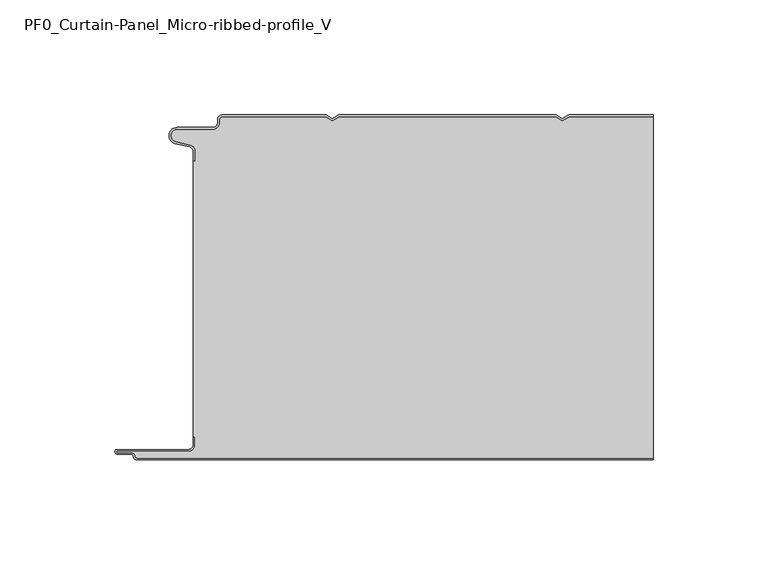
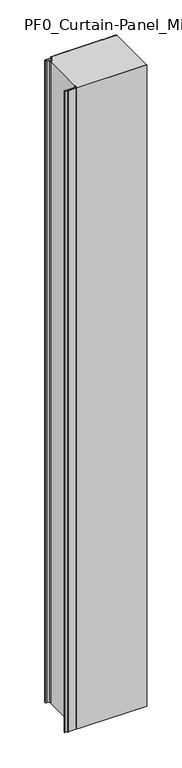
"""IFC4 building model written with IfcOpenShell, lengths in millimetres: plate geometry, PF0_Curtain-Panel_Micro-ribbed-profile_V."""

from ifc_helpers import new_model, si_unit, point, frame_2d, origin, origin_with_axes, place, context, project, spatial, polyline, circle_curve, trimmed, segment, composite_curve, outline, extrude, source, transform, mapped, element, save


def pf0_curtain_panel_micro_ribbed_profile_v_355ea716(model_context):
    return source(origin(), model_context, "Body", "SweptSolid", [
        extrude(outline(composite_curve([segment(trimmed(circle_curve(frame_2d((-102.0119739, -15.878557)), 2.0), [point((-100.0119739, -15.878557))], [point((-101.5620718, -13.9298169))], True, "CARTESIAN"), True, "CONTINUOUS"), segment(polyline([(-101.5620718, -13.9298169), (-107.7217978, -12.507732)]), True, "CONTINUOUS"), segment(trimmed(circle_curve(frame_2d((-106.9119739, -9.0)), 3.6), [point((-107.7217978, -12.507732))], [point((-106.9119739, -5.4))], False, "CARTESIAN"), True, "CONTINUOUS"), segment(polyline([(-106.9119739, -5.4), (-91.4119739, -5.4)]), True, "CONTINUOUS"), segment(trimmed(circle_curve(frame_2d((-91.4119739, -3.4)), 2.0), [point((-91.4119739, -5.4))], [point((-89.4119739, -3.4))], True, "CARTESIAN"), True, "CONTINUOUS"), segment(polyline([(-89.4119739, -3.4), (-89.4119739, -2.0)]), True, "CONTINUOUS"), segment(trimmed(circle_curve(frame_2d((-87.4119739, -2.0)), 2.0), [point((-89.4119739, -2.0))], [point((-87.4119739, 0.0))], False, "CARTESIAN"), True, "CONTINUOUS"), segment(polyline([(-87.4119739, 0.0), (-42.1119734, 0.0), (-39.4119739, -1.5588455), (-36.7119745, 0.0), (57.8880266, 0.0), (60.5880261, -1.5588455), (63.2880255, 0.0), (100.0119739, 0.0), (100.0119739, -0.8), (63.5023849, -0.8), (60.5880261, -2.482606), (57.6736672, -0.8), (-36.4976151, -0.8), (-39.4119739, -2.482606), (-42.3263328, -0.8), (-87.4119739, -0.8)]), True, "CONTINUOUS"), segment(trimmed(circle_curve(frame_2d((-87.4119739, -2.0)), 1.2), [point((-87.4119739, -0.8))], [point((-88.6119739, -2.0))], True, "CARTESIAN"), True, "CONTINUOUS"), segment(polyline([(-88.6119739, -2.0), (-88.6119739, -3.4)]), True, "CONTINUOUS"), segment(trimmed(circle_curve(frame_2d((-91.4119739, -3.4)), 2.8), [point((-88.6119739, -3.4))], [point((-91.4119739, -6.2))], False, "CARTESIAN"), True, "CONTINUOUS"), segment(polyline([(-91.4119739, -6.2), (-106.9119739, -6.2)]), True, "CONTINUOUS"), segment(trimmed(circle_curve(frame_2d((-106.9119739, -9.0)), 2.8), [point((-106.9119739, -6.2))], [point((-107.541837, -11.7282362))], True, "CARTESIAN"), True, "CONTINUOUS"), segment(polyline([(-107.541837, -11.7282362), (-101.3821109, -13.150321)]), True, "CONTINUOUS"), segment(trimmed(circle_curve(frame_2d((-102.0119739, -15.878557)), 2.8), [point((-101.3821109, -13.150321))], [point((-99.2119739, -15.878557))], False, "CARTESIAN"), True, "CONTINUOUS"), segment(polyline([(-99.2119739, -15.878557), (-99.2119739, -20.0), (-100.0119739, -20.0), (-100.0119739, -15.878557)]), True, "CONTINUOUS")], self_intersect=False)), origin_with_axes(), (0.0, 0.0, 1.0), 1945.7507136),
        extrude(outline(composite_curve([segment(polyline([(-99.2119739, -140.0), (-100.0119739, -140.0), (-100.0119739, -20.0), (-99.2119739, -20.0), (-99.2119739, -15.878557)]), True, "CONTINUOUS"), segment(trimmed(circle_curve(frame_2d((-102.0119739, -15.878557)), 2.8), [point((-99.2119739, -15.878557))], [point((-101.3821109, -13.1503208))], True, "CARTESIAN"), True, "CONTINUOUS"), segment(polyline([(-101.3821109, -13.1503208), (-107.5418369, -11.7282362)]), True, "CONTINUOUS"), segment(trimmed(circle_curve(frame_2d((-106.9119739, -9.0)), 2.8), [point((-107.5418369, -11.7282362))], [point((-106.9119739, -6.2))], False, "CARTESIAN"), True, "CONTINUOUS"), segment(polyline([(-106.9119739, -6.2), (-91.4119739, -6.2)]), True, "CONTINUOUS"), segment(trimmed(circle_curve(frame_2d((-91.4119739, -3.4)), 2.8), [point((-91.4119739, -6.2))], [point((-88.6119739, -3.4))], True, "CARTESIAN"), True, "CONTINUOUS"), segment(polyline([(-88.6119739, -3.4), (-88.6119739, -2.0)]), True, "CONTINUOUS"), segment(trimmed(circle_curve(frame_2d((-87.4119739, -2.0)), 1.2), [point((-88.6119739, -2.0))], [point((-87.4119739, -0.8))], False, "CARTESIAN"), True, "CONTINUOUS"), segment(polyline([(-87.4119739, -0.8), (-42.3263328, -0.8), (-39.4119739, -2.482606), (-36.4976151, -0.8), (57.6736672, -0.8), (60.5880261, -2.482606), (63.5023849, -0.8), (100.0119739, -0.8), (100.0119739, -149.2), (-124.4119739, -149.2)]), True, "CONTINUOUS"), segment(trimmed(circle_curve(frame_2d((-124.4119739, -148.4)), 0.8), [point((-124.4119739, -149.2))], [point((-125.2119739, -148.4))], False, "CARTESIAN"), True, "CONTINUOUS"), segment(trimmed(circle_curve(frame_2d((-126.9119739, -148.6133333)), 1.7133333), [point((-125.2119739, -148.4))], [point((-126.9119739, -146.9))], True, "CARTESIAN"), True, "CONTINUOUS"), segment(polyline([(-126.9119739, -146.9), (-132.8820051, -146.9)]), True, "CONTINUOUS"), segment(trimmed(circle_curve(frame_2d((-132.8820051, -146.6)), 0.3), [point((-132.8820051, -146.9))], [point((-132.8820051, -146.3))], False, "CARTESIAN"), True, "CONTINUOUS"), segment(polyline([(-132.8820051, -146.3), (-102.0119739, -146.3)]), True, "CONTINUOUS"), segment(trimmed(circle_curve(frame_2d((-102.0119739, -143.5)), 2.8), [point((-102.0119739, -146.3))], [point((-99.2119739, -143.5))], True, "CARTESIAN"), True, "CONTINUOUS"), segment(polyline([(-99.2119739, -143.5), (-99.2119739, -140.0)]), True, "CONTINUOUS")], self_intersect=False)), origin_with_axes(), (0.0, 0.0, 1.0), 1945.7507136),
        extrude(outline(composite_curve([segment(polyline([(-100.0119739, -140.0), (-99.2119739, -140.0), (-99.2119739, -143.5)]), True, "CONTINUOUS"), segment(trimmed(circle_curve(frame_2d((-102.0119739, -143.5)), 2.8), [point((-99.2119739, -143.5))], [point((-102.0119739, -146.3))], False, "CARTESIAN"), True, "CONTINUOUS"), segment(polyline([(-102.0119739, -146.3), (-132.8820051, -146.3)]), True, "CONTINUOUS"), segment(trimmed(circle_curve(frame_2d((-132.8820051, -146.6)), 0.3), [point((-132.8820051, -146.3))], [point((-132.8820051, -146.9))], True, "CARTESIAN"), True, "CONTINUOUS"), segment(polyline([(-132.8820051, -146.9), (-126.9119739, -146.9)]), True, "CONTINUOUS"), segment(trimmed(circle_curve(frame_2d((-126.9119739, -148.6133333)), 1.7133333), [point((-126.9119739, -146.9))], [point((-125.2119739, -148.4))], False, "CARTESIAN"), True, "CONTINUOUS"), segment(trimmed(circle_curve(frame_2d((-124.4119739, -148.4)), 0.8), [point((-125.2119739, -148.4))], [point((-124.4119739, -149.2))], True, "CARTESIAN"), True, "CONTINUOUS"), segment(polyline([(-124.4119739, -149.2), (100.0119739, -149.2), (100.0119739, -150.0), (-124.4119739, -150.0)]), True, "CONTINUOUS"), segment(trimmed(circle_curve(frame_2d((-124.4119739, -148.4)), 1.6), [point((-124.4119739, -150.0))], [point((-126.0119739, -148.4))], False, "CARTESIAN"), True, "CONTINUOUS"), segment(trimmed(circle_curve(frame_2d((-126.9119739, -148.4)), 0.9), [point((-126.0119739, -148.4))], [point((-126.9119739, -147.5))], True, "CARTESIAN"), True, "CONTINUOUS"), segment(polyline([(-126.9119739, -147.5), (-133.0119739, -147.5)]), True, "CONTINUOUS"), segment(trimmed(circle_curve(frame_2d((-133.0119739, -146.5)), 1.0), [point((-133.0119739, -147.5))], [point((-133.0119739, -145.5))], False, "CARTESIAN"), True, "CONTINUOUS"), segment(polyline([(-133.0119739, -145.5), (-102.0119739, -145.5)]), True, "CONTINUOUS"), segment(trimmed(circle_curve(frame_2d((-102.0119739, -143.5)), 2.0), [point((-102.0119739, -145.5))], [point((-100.0119739, -143.5))], True, "CARTESIAN"), True, "CONTINUOUS"), segment(polyline([(-100.0119739, -143.5), (-100.0119739, -140.0)]), True, "CONTINUOUS")], self_intersect=False)), origin_with_axes(), (0.0, 0.0, 1.0), 1945.7507136),
    ])


if __name__ == "__main__":
    model = new_model("IFC4")
    model_context = context("Model", 3, world=origin())
    ifc_project = project(units=[si_unit("LENGTHUNIT", "METRE", prefix="MILLI")], contexts=[model_context])
    site = spatial("IfcSite", under=ifc_project)
    building = spatial("IfcBuilding", under=site)
    placement = place(None, origin())
    pf0_curtain_panel_micro_ribbed_profile_v_shape = pf0_curtain_panel_micro_ribbed_profile_v_355ea716(model_context)
    element("IfcPlate", 1, ObjectType="PF0_Curtain-Panel_Micro-ribbed-profile_V", at=placement, inside=building, context=model_context, shape_type="MappedRepresentation", body=[
        mapped(pf0_curtain_panel_micro_ribbed_profile_v_shape, transform((0.0, 0.0, 0.0), x_axis=(1.0, 0.0, 0.0), y_axis=(0.0, 1.0, 0.0), z_axis=(0.0, 0.0, 1.0))),
    ])
    save(model, "model.ifc")
